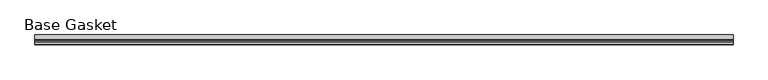
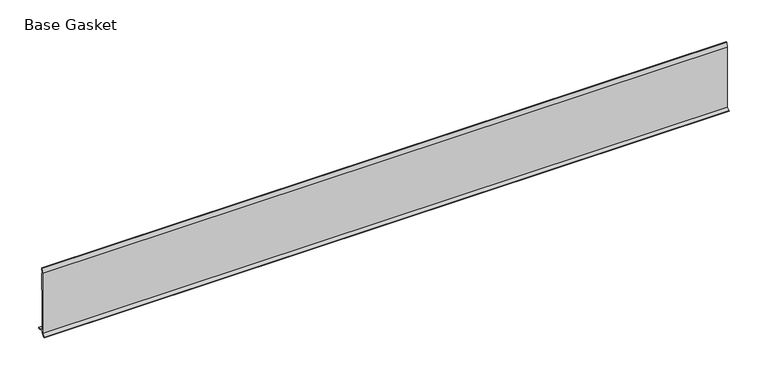
"""IFC4 building model written with IfcOpenShell, lengths in millimetres: furniture geometry, Base Gasket."""

from ifc_helpers import new_model, si_unit, frame, origin, place, context, project, spatial, polyline, outline, extrude, source, transform, mapped, element, save


def base_gasket_ff9849c0(model_context):
    return source(origin(), model_context, "Body", "SweptSolid", [
        extrude(outline(polyline([(-3.7283812, 98.4568417), (-1.1891543, 104.587663), (-0.6755308, 105.2002997), (-0.6755308, 104.4162708), (-2.2043812, 98.4568417), (-2.2043812, 96.8693477), (-1.4106313, 96.8693477), (-1.4106313, 71.4693447), (-2.2043812, 71.4693447), (-2.2043812, 7.9398773), (6.2405171, 7.9398773), (6.2405171, 6.3818476), (-2.1334222, 6.3818476), (-2.2043812, 4.3498477), (-6.8281054, 0.3520979), (-7.8482342, 0.0), (-7.4222115, 0.6560174), (-3.7283812, 4.3498477), (-3.7283812, 98.4568417)])), frame((-1527.8982117, 0.0, 0.0), z_axis=(1.0, 0.0, 0.0), x_axis=(0.0, 1.0, 0.0)), (0.0, 0.0, 1.0), 1016.0),
    ])


if __name__ == "__main__":
    model = new_model("IFC4")
    model_context = context("Model", 3, world=origin())
    ifc_project = project(units=[si_unit("LENGTHUNIT", "METRE", prefix="MILLI")], contexts=[model_context])
    site = spatial("IfcSite", under=ifc_project)
    building = spatial("IfcBuilding", under=site)
    placement = place(None, origin())
    base_gasket_shape = base_gasket_ff9849c0(model_context)
    element("IfcFurniture", 1, ObjectType="Base Gasket", at=placement, inside=building, context=model_context, shape_type="MappedRepresentation", body=[
        mapped(base_gasket_shape, transform((0.0, 0.0, 0.0), x_axis=(1.0, 0.0, 0.0), y_axis=(0.0, 1.0, 0.0), z_axis=(0.0, 0.0, 1.0))),
    ])
    save(model, "model.ifc")
